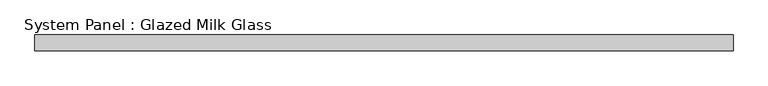
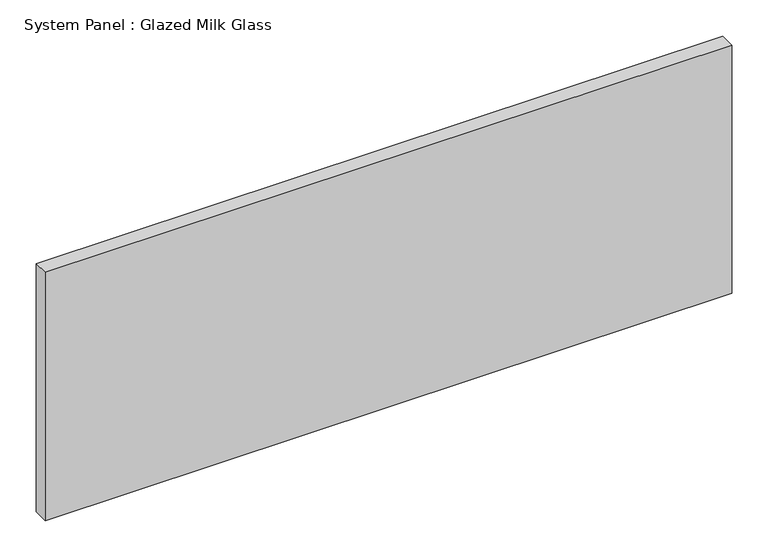
"""IFC4 building model written with IfcOpenShell, lengths in millimetres: plate geometry, System Panel : Glazed Milk Glass."""

from ifc_helpers import new_model, si_unit, origin, origin_with_axes, place, context, project, spatial, polyline, outline, extrude, source, transform, mapped, element, save


def system_panel_glazed_milk_glass_bdf1cb8e(model_context):
    return source(origin(), model_context, "Body", "SweptSolid", [
        extrude(outline(polyline([(550.0, -12.5), (-550.0, -12.5), (-550.0, 12.5), (550.0, 12.5), (550.0, -12.5)])), origin_with_axes(), (0.0, 0.0, 1.0), 420.0),
    ])


if __name__ == "__main__":
    model = new_model("IFC4")
    model_context = context("Model", 3, world=origin())
    ifc_project = project(units=[si_unit("LENGTHUNIT", "METRE", prefix="MILLI")], contexts=[model_context])
    site = spatial("IfcSite", under=ifc_project)
    building = spatial("IfcBuilding", under=site)
    placement = place(None, origin())
    system_panel_glazed_milk_glass_shape = system_panel_glazed_milk_glass_bdf1cb8e(model_context)
    element("IfcPlate", 1, ObjectType="System Panel : Glazed Milk Glass", at=placement, inside=building, context=model_context, shape_type="MappedRepresentation", body=[
        mapped(system_panel_glazed_milk_glass_shape, transform((0.0, 0.0, 0.0), x_axis=(1.0, 0.0, 0.0), y_axis=(0.0, 1.0, 0.0), z_axis=(0.0, 0.0, 1.0))),
    ])
    save(model, "model.ifc")
